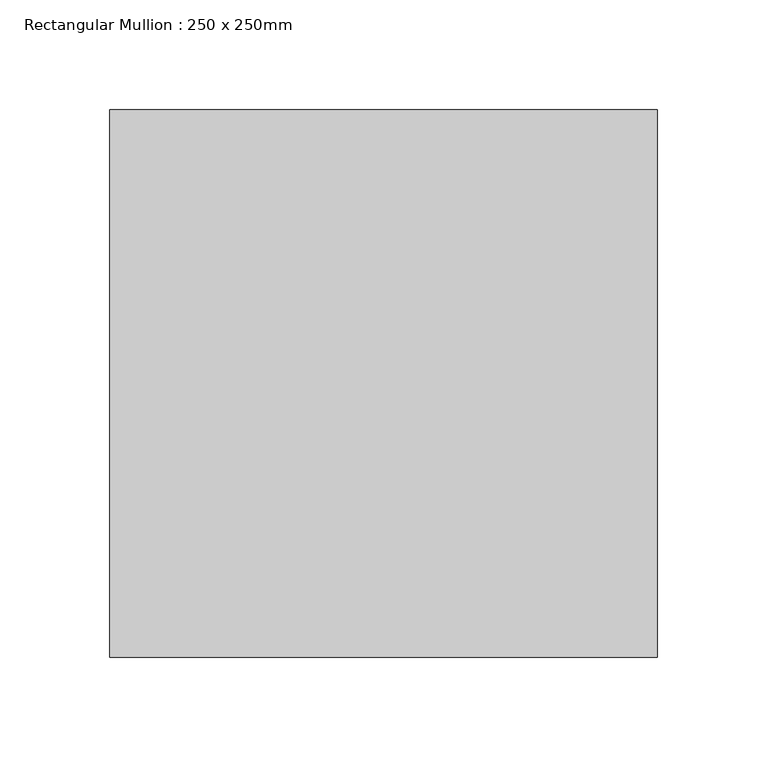
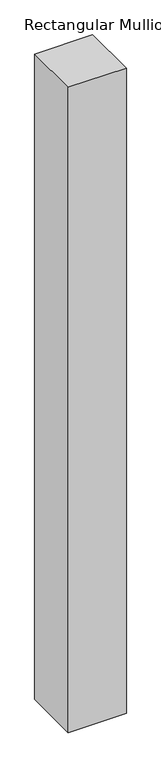
"""IFC4 building model written with IfcOpenShell, lengths in millimetres: member geometry, Rectangular Mullion : 250 x 250mm."""

from ifc_helpers import new_model, si_unit, frame, origin, place, context, project, spatial, polyline, outline, extrude, source, transform, mapped, element, save


def rectangular_mullion_250_x_250mm_90a66f19(model_context):
    return source(origin(), model_context, "Body", "SweptSolid", [
        extrude(outline(polyline([(0.0, 125.0), (0.0, -125.0), (-250.0, -125.0), (-250.0, 125.0), (0.0, 125.0)])), frame((0.0, 0.0, -2938.5180794), z_axis=(0.0, 0.0, 1.0), x_axis=(1.0, 0.0, 0.0)), (0.0, 0.0, 1.0), 2938.5180794),
    ])


if __name__ == "__main__":
    model = new_model("IFC4")
    model_context = context("Model", 3, world=origin())
    ifc_project = project(units=[si_unit("LENGTHUNIT", "METRE", prefix="MILLI")], contexts=[model_context])
    site = spatial("IfcSite", under=ifc_project)
    building = spatial("IfcBuilding", under=site)
    placement = place(None, origin())
    rectangular_mullion_250_x_250mm_shape = rectangular_mullion_250_x_250mm_90a66f19(model_context)
    element("IfcMember", 1, ObjectType="Rectangular Mullion : 250 x 250mm", at=placement, inside=building, context=model_context, shape_type="MappedRepresentation", body=[
        mapped(rectangular_mullion_250_x_250mm_shape, transform((0.0, 0.0, 0.0), x_axis=(1.0, 0.0, 0.0), y_axis=(0.0, 1.0, 0.0), z_axis=(0.0, 0.0, 1.0))),
    ])
    save(model, "model.ifc")
